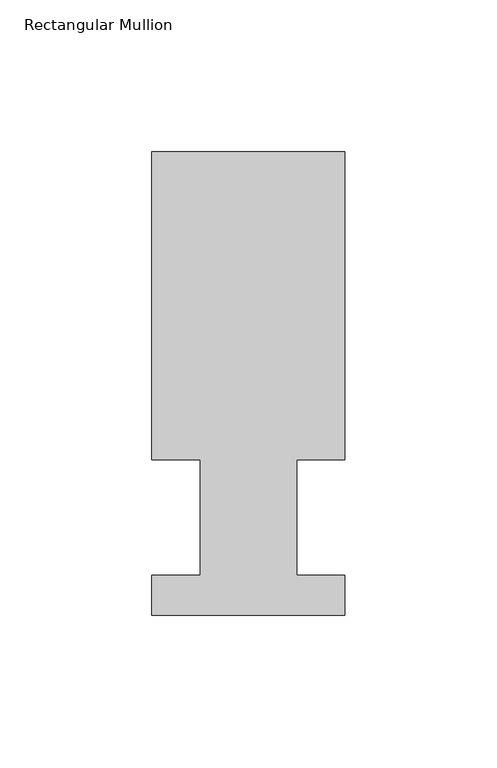
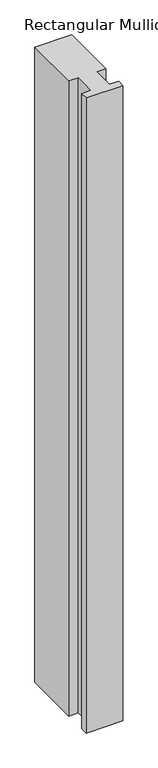
"""IFC4 building model written with IfcOpenShell, lengths in millimetres: member geometry, Rectangular Mullion."""

from ifc_helpers import new_model, si_unit, frame, origin, place, context, project, spatial, polyline, outline, extrude, source, transform, mapped, element, save


def rectangular_mullion_b6adc3b9(model_context):
    return source(origin(), model_context, "Body", "SweptSolid", [
        extrude(outline(polyline([(-31.75, 152.4896938), (31.75, 152.4896938), (31.75, 51.2960937), (15.875, 51.2960937), (15.875, 13.1960938), (31.75, 13.1960938), (31.75, 0.0134938), (-31.75, 0.0134938), (-31.75, 13.1960938), (-15.875, 13.1960938), (-15.875, 51.2960937), (-31.75, 51.2960937), (-31.75, 152.4896938)])), frame((0.0, 0.0, -1155.7), z_axis=(0.0, 0.0, 1.0), x_axis=(1.0, 0.0, 0.0)), (0.0, 0.0, 1.0), 1155.7),
    ])


if __name__ == "__main__":
    model = new_model("IFC4")
    model_context = context("Model", 3, world=origin())
    ifc_project = project(units=[si_unit("LENGTHUNIT", "METRE", prefix="MILLI")], contexts=[model_context])
    site = spatial("IfcSite", under=ifc_project)
    building = spatial("IfcBuilding", under=site)
    placement = place(None, origin())
    rectangular_mullion_shape = rectangular_mullion_b6adc3b9(model_context)
    element("IfcMember", 1, ObjectType="Rectangular Mullion", at=placement, inside=building, context=model_context, shape_type="MappedRepresentation", body=[
        mapped(rectangular_mullion_shape, transform((0.0, 0.0, 0.0), x_axis=(1.0, 0.0, 0.0), y_axis=(0.0, 1.0, 0.0), z_axis=(0.0, 0.0, 1.0))),
    ])
    save(model, "model.ifc")
